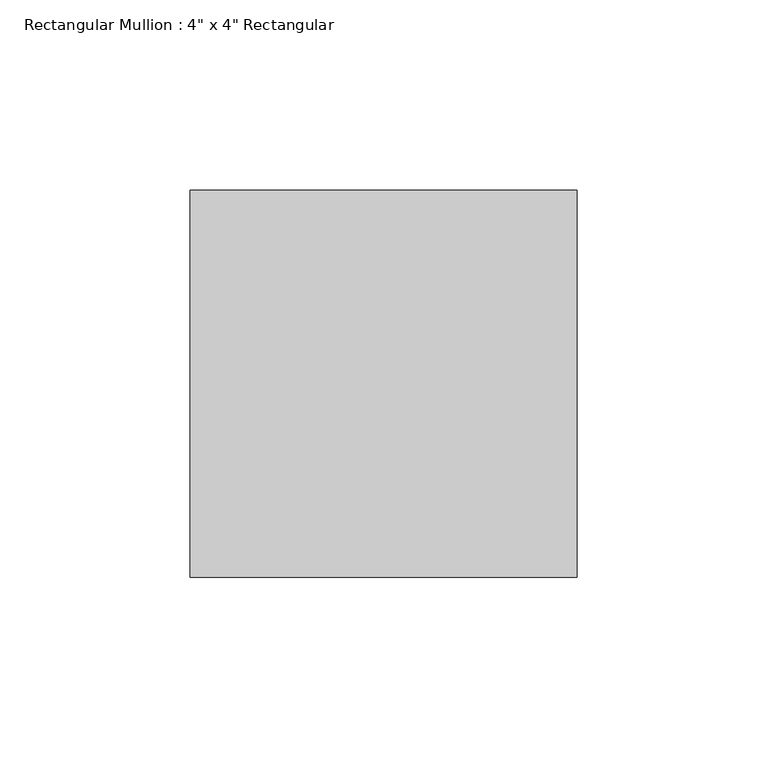
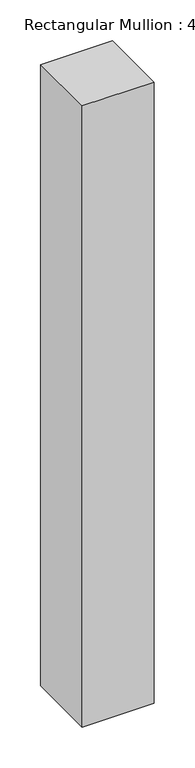
"""IFC4 building model written with IfcOpenShell, lengths in millimetres: member geometry."""

from ifc_helpers import new_model, si_unit, frame, origin, place, context, project, spatial, polyline, outline, extrude, source, transform, mapped, element, save


def member_d3da2d7c(model_context):
    return source(origin(), model_context, "Body", "SweptSolid", [
        extrude(outline(polyline([(50.8, 50.8), (50.8, -50.8), (-50.8, -50.8), (-50.8, 50.8), (50.8, 50.8)])), frame((0.0, 0.0, -927.1), z_axis=(0.0, 0.0, 1.0), x_axis=(1.0, 0.0, 0.0)), (0.0, 0.0, 1.0), 927.1),
    ])


if __name__ == "__main__":
    model = new_model("IFC4")
    model_context = context("Model", 3, world=origin())
    ifc_project = project(units=[si_unit("LENGTHUNIT", "METRE", prefix="MILLI")], contexts=[model_context])
    site = spatial("IfcSite", under=ifc_project)
    building = spatial("IfcBuilding", under=site)
    placement = place(None, origin())
    member_shape = member_d3da2d7c(model_context)
    element("IfcMember", 1, ObjectType="Rectangular Mullion : 4\" x 4\" Rectangular", at=placement, inside=building, context=model_context, shape_type="MappedRepresentation", body=[
        mapped(member_shape, transform((0.0, 0.0, 0.0), x_axis=(1.0, 0.0, 0.0), y_axis=(0.0, 1.0, 0.0), z_axis=(0.0, 0.0, 1.0))),
    ])
    save(model, "model.ifc")
